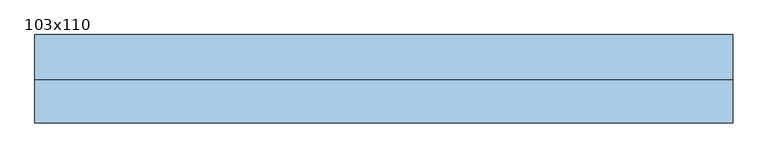
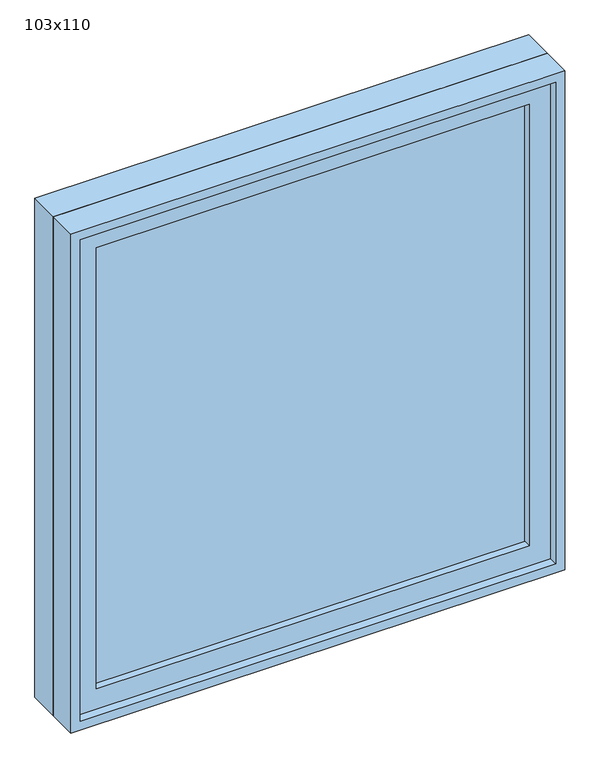
"""IFC4 building model written with IfcOpenShell, lengths in millimetres: window geometry, 103x110."""

from ifc_helpers import new_model, si_unit, frame, origin, place, context, project, spatial, polyline, outline, extrude, source, transform, mapped, element, save


def window_103x110_59c6c97d(model_context):
    return source(origin(), model_context, "Body", "SweptSolid", [
        extrude(outline(polyline([(413.4, -17.375), (413.4, -30.075), (-489.6, -30.075), (-489.6, -17.375), (413.4, -17.375)])), frame((0.0, 0.0, 977.9), z_axis=(0.0, 0.0, 1.0), x_axis=(1.0, 0.0, 0.0)), (0.0, 0.0, 1.0), 973.0),
        extrude(outline(polyline([(1995.35, -534.05), (933.45, -534.05), (933.45, 457.85), (1995.35, 457.85), (1995.35, -534.05)]), holes=[polyline([(1950.9, -489.6), (1950.9, 413.4), (977.9, 413.4), (977.9, -489.6), (1950.9, -489.6)])]), frame((0.0, -45.95, 0.0), z_axis=(0.0, 1.0, 0.0), x_axis=(0.0, 0.0, 1.0)), (0.0, 0.0, 1.0), 44.45),
        extrude(outline(polyline([(2014.4, -553.1), (914.4, -553.1), (914.4, 476.9), (2014.4, 476.9), (2014.4, -553.1)]), holes=[polyline([(1982.65, -521.35), (1982.65, 445.15), (946.15, 445.15), (946.15, -521.35), (1982.65, -521.35)])]), frame((0.0, -1.5, 0.0), z_axis=(0.0, 1.0, 0.0), x_axis=(0.0, 0.0, 1.0)), (0.0, 0.0, 1.0), 66.5),
        extrude(outline(polyline([(2014.4, 476.9), (2014.4, -553.1), (914.4, -553.1), (914.4, 476.9), (2014.4, 476.9)]), holes=[polyline([(1995.35, 457.85), (933.45, 457.85), (933.45, -534.05), (1995.35, -534.05), (1995.35, 457.85)])]), frame((0.0, -65.0, 0.0), z_axis=(0.0, 1.0, 0.0), x_axis=(0.0, 0.0, 1.0)), (0.0, 0.0, 1.0), 63.5),
    ])


if __name__ == "__main__":
    model = new_model("IFC4")
    model_context = context("Model", 3, world=origin())
    ifc_project = project(units=[si_unit("LENGTHUNIT", "METRE", prefix="MILLI")], contexts=[model_context])
    site = spatial("IfcSite", under=ifc_project)
    building = spatial("IfcBuilding", under=site)
    placement = place(None, origin())
    window_103x110_shape = window_103x110_59c6c97d(model_context)
    element("IfcWindow", 1, ObjectType="103x110", at=placement, inside=building, context=model_context, shape_type="MappedRepresentation", body=[
        mapped(window_103x110_shape, transform((0.0, 0.0, 0.0), x_axis=(1.0, 0.0, 0.0), y_axis=(0.0, 1.0, 0.0), z_axis=(0.0, 0.0, 1.0))),
    ])
    save(model, "model.ifc")
